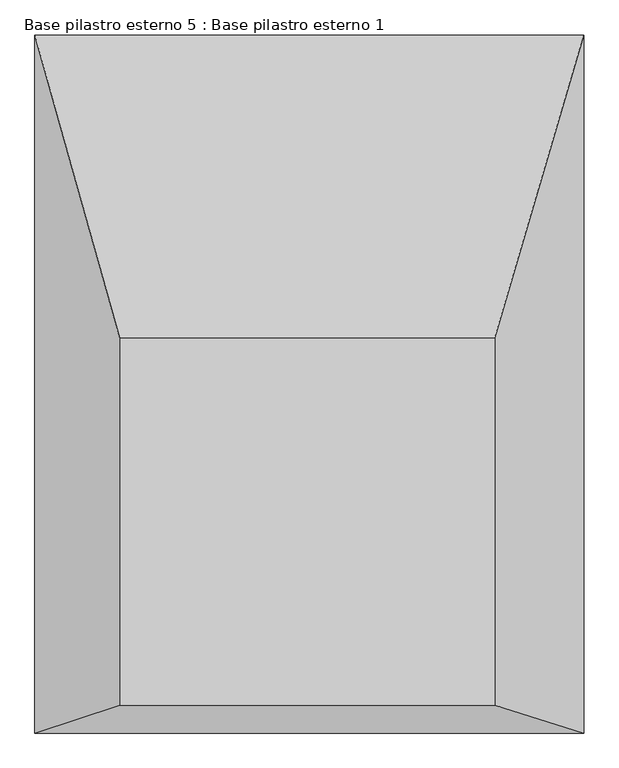
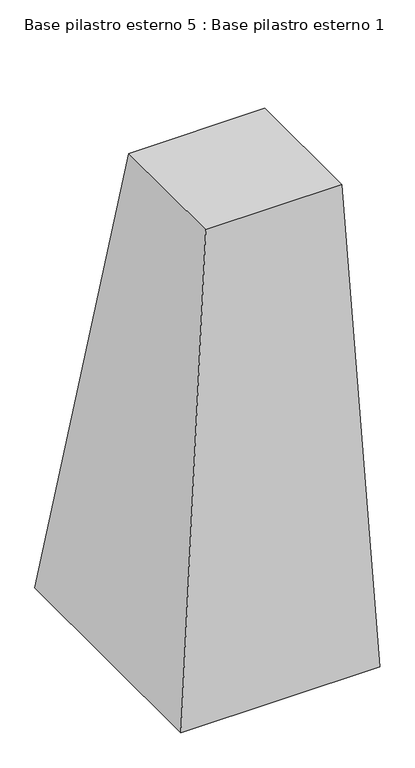
"""IFC4 building model written with IfcOpenShell, lengths in millimetres: column geometry, Base pilastro esterno 5 : Base pilastro esterno 1."""

from ifc_helpers import new_model, si_unit, origin, place, context, project, spatial, faceted_brep, source, transform, mapped, element, save


def base_pilastro_esterno_5_base_pilastro_esterno_1_aa47e58e(model_context):
    return source(origin(), model_context, "Body", "Brep", [
        faceted_brep([(-95731.6902487, 123540.035984, -214.4870321), (-95128.6950429, 123540.035984, -214.4870321), (-95128.6950429, 124130.2918544, -214.4870321), (-95731.6902487, 124130.2918544, -214.4870321), (-95867.5764922, 123495.5650876, -2497.4125891), (-95867.5764922, 124616.1685911, -2497.4125891), (-94985.7278521, 124616.1685911, -2497.4125891), (-94985.7278521, 123495.5650876, -2497.4125891)], [[[0, 1, 2, 3]], [[4, 5, 6, 7]], [[4, 7, 1, 0]], [[7, 6, 2, 1]], [[6, 5, 3, 2]], [[5, 4, 0, 3]]]),
    ])


if __name__ == "__main__":
    model = new_model("IFC4")
    model_context = context("Model", 3, world=origin())
    ifc_project = project(units=[si_unit("LENGTHUNIT", "METRE", prefix="MILLI")], contexts=[model_context])
    site = spatial("IfcSite", under=ifc_project)
    building = spatial("IfcBuilding", under=site)
    placement = place(None, origin())
    base_pilastro_esterno_5_base_pilastro_esterno_1_shape = base_pilastro_esterno_5_base_pilastro_esterno_1_aa47e58e(model_context)
    element("IfcColumn", 1, ObjectType="Base pilastro esterno 5 : Base pilastro esterno 1", at=placement, inside=building, context=model_context, shape_type="MappedRepresentation", body=[
        mapped(base_pilastro_esterno_5_base_pilastro_esterno_1_shape, transform((0.0, 0.0, 0.0), x_axis=(1.0, 0.0, 0.0), y_axis=(0.0, 1.0, 0.0), z_axis=(0.0, 0.0, 1.0))),
    ])
    save(model, "model.ifc")
